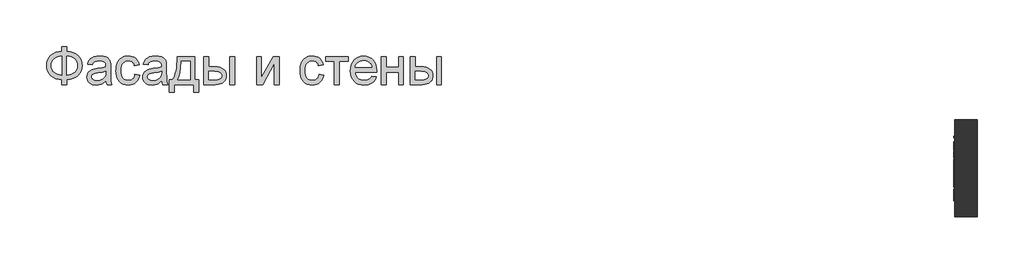
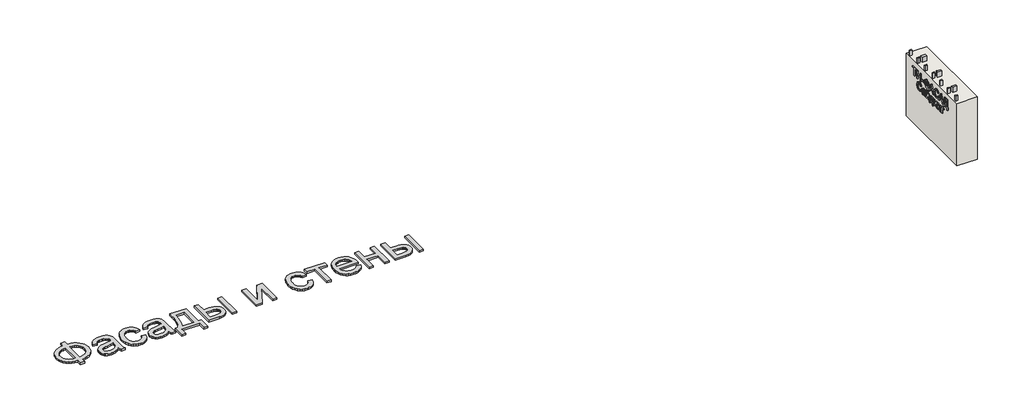
# One storey: 10 beams, 2 proxies, 1 wall.
"""IFC4 building model written with IfcOpenShell, lengths in millimetres."""

import ifcopenshell
import ifcopenshell.guid

model = None  # the IFC model being written
_history = None  # IfcOwnerHistory: only IFC2X3 demands one
_inside = {}  # id of a spatial element -> (the spatial element, [elements in it])
_under = {}  # id of a project, library or spatial element -> (it, [spatial elements below it])
_declared = {}  # id of a project -> (the project, [libraries it declares])
_typed = {}  # id of a type object -> (the type object, [elements of that type])
_made_of = {}  # id of a material, layer set ... -> (it, [elements and type objects made of it])


def new_model(schema):
    """Start an empty IFC model of exactly this schema.

    Asked for "IFC4X3", IfcOpenShell would pick the latest addendum, in which some entities
    have other attributes; the version numbers below select the first issue.
    IFC2X3 requires an IfcOwnerHistory on every rooted entity: one is made here for all.
    """
    global model, _history
    if schema == "IFC4X3":
        model = ifcopenshell.file(schema_version=(4, 3, 0, 0))
    else:
        model = ifcopenshell.file(schema=schema)
    _inside.clear()
    _under.clear()
    _declared.clear()
    _typed.clear()
    _made_of.clear()
    _history = None
    if model.schema == "IFC2X3":
        org = make("IfcOrganization", Name="unknown")
        user = make(
            "IfcPersonAndOrganization",
            ThePerson=make("IfcPerson", FamilyName="unknown"),
            TheOrganization=org,
        )
        app = make(
            "IfcApplication",
            ApplicationDeveloper=org,
            Version="unknown",
            ApplicationFullName="unknown",
            ApplicationIdentifier="unknown",
        )
        _history = make(
            "IfcOwnerHistory",
            OwningUser=user,
            OwningApplication=app,
            ChangeAction="ADDED",
            CreationDate=0,
        )
    return model


def make(cls, **values):
    """One entity of the class cls with the attributes given. An attribute that is None is left unset."""
    return model.create_entity(
        cls, **{name: value for name, value in values.items() if value is not None}
    )


def rooted(cls, **values):
    """An entity with a GlobalId (a new one), such as an element, a storey or a relation."""
    return make(cls, GlobalId=ifcopenshell.guid.new(), OwnerHistory=_history, **values)


def si_unit(unit_type, name, prefix=None):
    """IfcSIUnit, for example si_unit("LENGTHUNIT", "METRE", prefix="MILLI")."""
    return make("IfcSIUnit", UnitType=unit_type, Prefix=prefix, Name=name)


def assignment(units):
    """IfcUnitAssignment: the units of a project."""
    return None if units is None else make("IfcUnitAssignment", Units=units)


def point(xyz):
    """IfcCartesianPoint."""
    return None if xyz is None else make("IfcCartesianPoint", Coordinates=xyz)


def direction(xyz):
    """IfcDirection."""
    return None if xyz is None else make("IfcDirection", DirectionRatios=xyz)


def frame(location, z_axis=None, x_axis=None):
    """IfcAxis2Placement3D, a coordinate frame: its origin and axes. An axis left out is left unset."""
    return make(
        "IfcAxis2Placement3D",
        Location=point(location),
        Axis=direction(z_axis),
        RefDirection=direction(x_axis),
    )


def origin():
    """The frame at (0, 0, 0) with its axes left unset."""
    return frame((0.0, 0.0, 0.0))


def origin_with_axes():
    """The frame at (0, 0, 0) with the z axis (0, 0, 1) and the x axis (1, 0, 0) written out."""
    return frame((0.0, 0.0, 0.0), z_axis=(0.0, 0.0, 1.0), x_axis=(1.0, 0.0, 0.0))


def place(relative_to, where):
    """IfcLocalPlacement: puts the frame where relative to a parent placement (None: the world)."""
    return make(
        "IfcLocalPlacement", PlacementRelTo=relative_to, RelativePlacement=where
    )


def context(
    kind, dimensions, precision=None, world=None, true_north=None, identifier=None
):
    """IfcGeometricRepresentationContext, for example the 3D "Model" context."""
    return make(
        "IfcGeometricRepresentationContext",
        ContextIdentifier=identifier,
        ContextType=kind,
        CoordinateSpaceDimension=dimensions,
        Precision=precision,
        WorldCoordinateSystem=world,
        TrueNorth=true_north,
    )


def project(units=None, contexts=None):
    """IfcProject with its units and contexts."""
    return rooted(
        "IfcProject",
        Name="project",
        RepresentationContexts=contexts,
        UnitsInContext=assignment(units),
    )


def spatial(cls, under=None, at=None, **own):
    """A site, building, storey or space (cls), placed at a placement, below another one or the project."""
    s = rooted(cls, ObjectPlacement=at, **own)
    if under is not None:
        _under.setdefault(under.id(), (under, []))[1].append(s)
    return s


def polyline(points):
    """IfcPolyline through the points."""
    return make("IfcPolyline", Points=[point(p) for p in points])


def outline(outer, holes=None, kind="AREA"):
    """IfcArbitraryClosedProfileDef: a profile drawn as a closed curve; with holes, ...WithVoids."""
    if holes is None:
        return make("IfcArbitraryClosedProfileDef", ProfileType=kind, OuterCurve=outer)
    return make(
        "IfcArbitraryProfileDefWithVoids",
        ProfileType=kind,
        OuterCurve=outer,
        InnerCurves=holes,
    )


def extrude(swept, where, along, depth):
    """IfcExtrudedAreaSolid: the profile swept, set in the frame where, extruded along a direction by depth."""
    return make(
        "IfcExtrudedAreaSolid",
        SweptArea=swept,
        Position=where,
        ExtrudedDirection=direction(along),
        Depth=depth,
    )


def shape(context_of_items, identifier, shape_type, items):
    """IfcShapeRepresentation: the items that make up one representation, for example the "Body"."""
    return make(
        "IfcShapeRepresentation",
        ContextOfItems=context_of_items,
        RepresentationIdentifier=identifier,
        RepresentationType=shape_type,
        Items=items,
    )


def source(mapping_origin, context_of_items, identifier, shape_type, items):
    """IfcRepresentationMap: a shape defined once, which mapped items show again and again."""
    return make(
        "IfcRepresentationMap",
        MappingOrigin=mapping_origin,
        MappedRepresentation=shape(context_of_items, identifier, shape_type, items),
    )


def transform(
    local_origin,
    x_axis=None,
    y_axis=None,
    z_axis=None,
    scale=None,
    scale2=None,
    scale3=None,
    uniform=True,
):
    """IfcCartesianTransformationOperator3D, or its non-uniform kind. x_axis, y_axis, z_axis: its Axis1, 2, 3."""
    if uniform:
        return make(
            "IfcCartesianTransformationOperator3D",
            Axis1=direction(x_axis),
            Axis2=direction(y_axis),
            LocalOrigin=point(local_origin),
            Scale=scale,
            Axis3=direction(z_axis),
        )
    return make(
        "IfcCartesianTransformationOperator3DnonUniform",
        Axis1=direction(x_axis),
        Axis2=direction(y_axis),
        LocalOrigin=point(local_origin),
        Scale=scale,
        Axis3=direction(z_axis),
        Scale2=scale2,
        Scale3=scale3,
    )


def mapped(mapping_source, mapping_target):
    """IfcMappedItem: shows the shape of a source again, moved by a transform."""
    return make(
        "IfcMappedItem", MappingSource=mapping_source, MappingTarget=mapping_target
    )


def made_of(thing, what):
    """Note that an element or type object is made of a material, layer set ...; save() writes the relation."""
    if what is not None:
        _made_of.setdefault(what.id(), (what, []))[1].append(thing)
    return thing


def element(
    cls,
    number,
    at=None,
    inside=None,
    cuts=None,
    type_object=None,
    material=None,
    context=None,
    identifier="Body",
    shape_type=None,
    held_by="IfcProductDefinitionShape",
    body=None,
    shapes=None,
    **own,
):
    """One element of the class cls, such as IfcWall. Its Tag is "e" and its number.

    at: its placement. inside: the storey or other place that contains it. cuts: it is an
    opening in that element (IfcRelVoidsElement). A single representation is given by context,
    identifier, shape_type and body (its items); several are given by shapes. held_by: the class
    of the entity that holds the representations. save() writes the other relations.
    """
    e = rooted(cls, Tag="e%d" % number, ObjectPlacement=at, **own)
    if body is not None:
        shapes = [shape(context, identifier, shape_type, body)]
    if shapes is not None:
        e.Representation = make(held_by, Representations=shapes)
    if inside is not None:
        _inside.setdefault(inside.id(), (inside, []))[1].append(e)
    if cuts is not None:
        rooted(
            "IfcRelVoidsElement", RelatingBuildingElement=cuts, RelatedOpeningElement=e
        )
    if type_object is not None:
        _typed.setdefault(type_object.id(), (type_object, []))[1].append(e)
    return made_of(e, material)


def aggregate(whole, parts):
    """IfcRelAggregates: a whole, such as a stair, and the parts it consists of."""
    return rooted("IfcRelAggregates", RelatingObject=whole, RelatedObjects=parts)


def save(model, path):
    """Write the relations noted so far, then the file.

    IfcRelAggregates (storeys below a building ...), IfcRelContainedInSpatialStructure (elements
    in a storey), IfcRelDefinesByType, IfcRelAssociatesMaterial and IfcRelDeclares: one each for
    every whole, place, type object, material and project.
    """
    for whole, parts in _under.values():
        aggregate(whole, parts)
    for where, things in _inside.values():
        rooted(
            "IfcRelContainedInSpatialStructure",
            RelatedElements=things,
            RelatingStructure=where,
        )
    for kind, things in _typed.values():
        rooted("IfcRelDefinesByType", RelatedObjects=things, RelatingType=kind)
    for what, things in _made_of.values():
        rooted("IfcRelAssociatesMaterial", RelatedObjects=things, RelatingMaterial=what)
    for by, libraries in _declared.values():
        rooted("IfcRelDeclares", RelatingContext=by, RelatedDefinitions=libraries)
    model.write(path)


def beam_6337fa54(model_context):
    return source(origin(), model_context, "Body", "SweptSolid", [
        extrude(outline(polyline([(812.5, 25.0), (812.5, -25.0), (-812.5, -25.0), (-812.5, 25.0), (812.5, 25.0)])), frame((0.0, 0.0, -50.0), z_axis=(0.0, 0.0, 1.0), x_axis=(1.0, 0.0, 0.0)), (0.0, 0.0, 1.0), 100.0),
    ])


def beam_fa65da98(model_context):
    return source(origin(), model_context, "Body", "SweptSolid", [
        extrude(outline(polyline([(812.5, 15.0), (812.5, -15.0), (-812.5, -15.0), (-812.5, 15.0), (812.5, 15.0)])), frame((0.0, 0.0, -25.0), z_axis=(0.0, 0.0, 1.0), x_axis=(1.0, 0.0, 0.0)), (0.0, 0.0, 1.0), 50.0),
    ])


model = new_model("IFC4")

# Units and contexts
model_context = context("Model", 3, world=origin())
ifc_project = project(units=[si_unit("LENGTHUNIT", "METRE", prefix="MILLI")], contexts=[model_context])

# Site, building, storey
site = spatial("IfcSite", under=ifc_project)
building = spatial("IfcBuilding", under=site)
storey = spatial("IfcBuildingStorey", under=building, Elevation=0.0)

# Beams
placement = place(None, origin())
beam_shape = beam_6337fa54(model_context)
element("IfcBeam", 1, at=placement, inside=storey, context=model_context, shape_type="MappedRepresentation", body=[
    mapped(beam_shape, transform((16641.3955952, -23902.6148653, 812.5), x_axis=(0.0, 0.0, -1.0), y_axis=(0.0, -1.0, 0.0), z_axis=(-1.0, 0.0, 0.0))),
])
element("IfcBeam", 2, at=placement, inside=storey, context=model_context, shape_type="MappedRepresentation", body=[
    mapped(beam_shape, transform((16641.3955952, -23302.6148653, 812.5), x_axis=(0.0, 0.0, -1.0), y_axis=(0.0, -1.0, 0.0), z_axis=(-1.0, 0.0, 0.0))),
])
element("IfcBeam", 3, at=placement, inside=storey, context=model_context, shape_type="MappedRepresentation", body=[
    mapped(beam_shape, transform((16641.3955952, -22702.6148653, 812.5), x_axis=(0.0, 0.0, -1.0), y_axis=(0.0, -1.0, 0.0), z_axis=(-1.0, 0.0, 0.0))),
])
beam_2_shape = beam_fa65da98(model_context)
element("IfcBeam", 4, at=placement, inside=storey, context=model_context, shape_type="MappedRepresentation", body=[
    mapped(beam_2_shape, transform((16516.3955952, -24202.6148653, 812.5), x_axis=(0.0, 0.0, -1.0), y_axis=(0.0, -1.0, 0.0), z_axis=(-1.0, 0.0, 0.0))),
])
element("IfcBeam", 5, at=placement, inside=storey, context=model_context, shape_type="MappedRepresentation", body=[
    mapped(beam_2_shape, transform((16516.3955952, -23902.6148653, 812.5), x_axis=(0.0, 0.0, -1.0), y_axis=(0.0, -1.0, 0.0), z_axis=(-1.0, 0.0, 0.0))),
])
element("IfcBeam", 6, at=placement, inside=storey, context=model_context, shape_type="MappedRepresentation", body=[
    mapped(beam_2_shape, transform((16516.3955952, -23602.6148653, 812.5), x_axis=(0.0, 0.0, -1.0), y_axis=(0.0, -1.0, 0.0), z_axis=(-1.0, 0.0, 0.0))),
])
element("IfcBeam", 7, at=placement, inside=storey, context=model_context, shape_type="MappedRepresentation", body=[
    mapped(beam_2_shape, transform((16516.3955952, -23302.6148653, 812.5), x_axis=(0.0, 0.0, -1.0), y_axis=(0.0, -1.0, 0.0), z_axis=(-1.0, 0.0, 0.0))),
])
element("IfcBeam", 8, at=placement, inside=storey, context=model_context, shape_type="MappedRepresentation", body=[
    mapped(beam_2_shape, transform((16516.3955952, -23002.6148653, 812.5), x_axis=(0.0, 0.0, -1.0), y_axis=(0.0, -1.0, 0.0), z_axis=(-1.0, 0.0, 0.0))),
])
element("IfcBeam", 9, at=placement, inside=storey, context=model_context, shape_type="MappedRepresentation", body=[
    mapped(beam_2_shape, transform((16516.3955952, -22702.6148653, 812.5), x_axis=(0.0, 0.0, -1.0), y_axis=(0.0, -1.0, 0.0), z_axis=(-1.0, 0.0, 0.0))),
])
element("IfcBeam", 10, at=placement, inside=storey, context=model_context, shape_type="MappedRepresentation", body=[
    mapped(beam_2_shape, transform((16516.3955952, -22402.6148653, 812.5), x_axis=(0.0, 0.0, -1.0), y_axis=(0.0, -1.0, 0.0), z_axis=(-1.0, 0.0, 0.0))),
])

# Proxies
element("IfcBuildingElementProxy", 11, Name="Generic Models", at=placement, inside=storey, context=model_context, shape_type="SweptSolid", body=[
    extrude(outline(polyline([(-1939.8736325, -20885.7211043), (-1939.8736325, -20787.7817103), (-1841.9342386, -20787.7817103), (-1841.9342386, -20885.7211043), (-1772.0723186, -20894.3529698), (-1709.9695132, -20912.2144755), (-1655.6258224, -20939.3056213), (-1609.0412461, -20975.6264073), (-1571.6743546, -21019.0607113), (-1544.9837177, -21067.4924111), (-1528.9693356, -21120.9215067), (-1523.6312083, -21179.3479982), (-1528.8019587, -21236.6028514), (-1544.3142102, -21289.3863505), (-1570.1679625, -21337.6984954), (-1606.3632158, -21381.5392861), (-1628.1416397, -21401.1761824), (-1652.1109076, -21418.4817577), (-1706.6219753, -21446.0989452), (-1769.896419, -21464.3908486), (-1841.9342386, -21473.3574679), (-1841.9342386, -21571.2968619), (-1939.8736325, -21571.2968619), (-1939.8736325, -21473.3574679), (-2005.3060425, -21466.0586398), (-2065.0237272, -21449.518216), (-2119.0266865, -21423.7361966), (-2167.3149204, -21388.7125816), (-2207.0669327, -21345.8939854), (-2222.6837947, -21322.10405), (-2235.4612272, -21296.7270228), (-2245.3992303, -21269.7629041), (-2252.4978039, -21241.2116938), (-2258.1766628, -21179.3479982), (-2252.5157371, -21117.2033486), (-2245.4395801, -21088.5878775), (-2235.5329602, -21061.6103088), (-2222.7958774, -21036.2706426), (-2207.2283318, -21012.5688789), (-2188.8303234, -20990.5050176), (-2167.6018522, -20970.0790588), (-2119.4032845, -20935.3961753), (-2065.382392, -20909.775555), (-2005.5391746, -20893.217198), (-1939.8736325, -20885.7211043)]), holes=[polyline([(-1841.9342386, -20983.6604982), (-1841.9342386, -21375.418074), (-1793.3949393, -21370.2234125), (-1750.3073446, -21359.2303372), (-1712.6714545, -21342.4388481), (-1680.4872689, -21319.8489452), (-1654.7112272, -21291.9627591), (-1636.2997689, -21259.2824206), (-1625.2528939, -21221.8079296), (-1621.5706022, -21179.5392861), (-1625.1871387, -21137.922217), (-1636.036748, -21100.872146), (-1654.1194303, -21068.389073), (-1679.4351855, -21040.4729982), (-1711.2905951, -21017.6977852), (-1748.9922405, -21000.6372975), (-1792.5401216, -20989.2915352), (-1841.9342386, -20983.6604982)]), polyline([(-1939.8736325, -20983.6604982), (-1986.781007, -20988.5861611), (-2028.989873, -20999.3461043), (-2066.5002305, -21015.9403278), (-2099.3120795, -21038.3688316), (-2125.9668498, -21066.2012179), (-2145.0059715, -21099.0070891), (-2156.4294445, -21136.7864452), (-2160.2372689, -21179.5392861), (-2156.4772665, -21221.9035735), (-2145.1972594, -21259.4737085), (-2126.3972476, -21292.2496909), (-2100.077231, -21320.231521), (-2067.5044919, -21342.8692459), (-2029.9463124, -21359.612913), (-1987.4026926, -21370.4625224), (-1939.8736325, -21375.418074), (-1939.8736325, -20983.6604982)])]), origin_with_axes(), (0.0, 0.0, 1.0), 40.0),
    extrude(outline(polyline([(-1033.9342386, -21497.8423164), (-1080.7280359, -21537.964949), (-1104.6449985, -21552.8256261), (-1128.9086704, -21564.2192103), (-1179.5760473, -21578.7092672), (-1233.8300719, -21583.5392861), (-1277.4377305, -21580.6341014), (-1315.677373, -21571.9185475), (-1348.5489995, -21557.3926242), (-1376.0526098, -21537.0563316), (-1397.7697618, -21512.2008628), (-1413.2820132, -21484.1174111), (-1422.589364, -21452.8059764), (-1425.6918143, -21418.2665588), (-1421.0052613, -21377.6657066), (-1406.9456022, -21340.7949679), (-1385.2583389, -21309.2324679), (-1357.6889734, -21284.5563316), (-1325.2895889, -21265.9057634), (-1289.1122689, -21252.4199679), (-1204.3717386, -21237.6908013), (-1104.232534, -21222.1964831), (-1034.5081022, -21204.0241346), (-1033.9342386, -21182.2173164), (-1035.619963, -21158.4737085), (-1040.6771363, -21138.5080361), (-1049.1057585, -21122.3202994), (-1060.9058295, -21109.9104982), (-1081.3018996, -21097.5246081), (-1106.1454128, -21088.6775437), (-1135.4363693, -21083.369305), (-1169.1747689, -21081.5998922), (-1227.5175719, -21086.3103562), (-1250.0895416, -21092.1984362), (-1268.2618901, -21100.4417482), (-1283.1943001, -21111.6858888), (-1296.0464545, -21126.5764547), (-1306.8183532, -21145.1134457), (-1315.5099961, -21167.2968619), (-1413.4493901, -21155.0544376), (-1396.4486799, -21101.4938316), (-1384.810008, -21079.0175058), (-1371.0791249, -21059.4104982), (-1354.6642338, -21042.2782776), (-1334.9735378, -21027.2263126), (-1312.0070369, -21014.2546033), (-1285.764731, -21003.3631497), (-1225.5807821, -20988.5861611), (-1156.5497689, -20983.6604982), (-1090.3402518, -20988.0122975), (-1037.8556401, -21001.0676952), (-998.2829602, -21020.6986138), (-970.8092386, -21044.7769755), (-952.5890681, -21074.5461516), (-940.7770416, -21111.2495134), (-937.1903939, -21145.1074679), (-935.9948446, -21196.9464831), (-935.9948446, -21318.7968619), (-934.7514734, -21424.9377236), (-931.0213598, -21488.94743), (-923.6567764, -21531.0068524), (-911.5099961, -21571.2968619), (-1009.4493901, -21571.2968619), (-1025.1349961, -21537.2476194), (-1033.9342386, -21497.8423164)]), holes=[polyline([(-1033.9342386, -21301.9635285), (-1099.7372689, -21318.2708202), (-1191.9380264, -21331.9957255), (-1242.7488693, -21339.5037747), (-1276.2003371, -21347.8726194), (-1298.1267102, -21358.7282066), (-1314.3622689, -21373.6964831), (-1324.4048825, -21391.6297217), (-1327.7524204, -21411.3801952), (-1325.9292078, -21426.599537), (-1320.45957, -21440.5037747), (-1311.343507, -21453.0929083), (-1298.5810189, -21464.3669376), (-1282.2916604, -21473.6563552), (-1262.5949867, -21480.2916535), (-1212.9796931, -21485.5998922), (-1160.3755264, -21479.7417009), (-1136.3688977, -21472.4189618), (-1113.8925719, -21462.167127), (-1076.2088598, -21436.2715304), (-1050.0024204, -21405.450271), (-1038.3816818, -21373.6964831), (-1034.5081022, -21329.700271), (-1033.9342386, -21301.9635285)])]), origin_with_axes(), (0.0, 0.0, 1.0), 40.0),
    extrude(outline(polyline([(-434.0554507, -21363.1756497), (-336.1160568, -21375.418074), (-346.7684005, -21421.6320299), (-363.4224014, -21462.5257918), (-386.0780596, -21498.0993595), (-414.7353749, -21528.3527331), (-448.1868427, -21552.49685), (-485.2249583, -21569.7426478), (-525.8497215, -21580.0901265), (-570.0611325, -21583.5392861), (-624.9906425, -21578.7272004), (-674.2412935, -21564.2909433), (-717.8130856, -21540.2305148), (-755.7060189, -21506.5459149), (-786.3778347, -21463.8707847), (-808.2862746, -21412.8387653), (-821.4313385, -21353.4498567), (-825.8130264, -21285.7040588), (-823.9419919, -21240.6736966), (-818.3288882, -21198.5485191), (-808.9737154, -21159.3285262), (-795.8764734, -21123.0137179), (-778.9474961, -21090.3333794), (-758.0971174, -21062.0167956), (-733.3253371, -21038.0639665), (-704.6321552, -21018.4748922), (-673.3147428, -21003.2435948), (-640.6702708, -20992.3640967), (-606.698739, -20985.8363978), (-571.4001477, -20983.6604982), (-527.9479104, -20986.6493713), (-488.6442291, -20995.6159906), (-453.4891036, -21010.5603562), (-422.482534, -21031.4824679), (-396.150562, -21057.9041062), (-375.0192291, -21089.3470513), (-359.0885354, -21125.8113031), (-348.358481, -21167.2968619), (-446.2978749, -21179.5392861), (-453.9434123, -21156.6624513), (-464.0637367, -21136.8103562), (-476.6588479, -21119.9830006), (-491.7287461, -21106.1803846), (-508.8908555, -21095.4264192), (-527.7626003, -21087.7450153), (-548.3439805, -21083.1361729), (-570.6349961, -21081.5998922), (-603.9131093, -21084.6246317), (-633.927373, -21093.6988505), (-660.6777873, -21108.8225484), (-684.1643522, -21129.9957255), (-703.2871623, -21157.7085569), (-716.9463124, -21192.4512179), (-725.1418025, -21234.2237085), (-727.8736325, -21283.0260285), (-725.20158, -21332.5636114), (-717.1854223, -21374.8202994), (-703.8251595, -21409.7960924), (-685.1207916, -21437.4909906), (-662.1004909, -21458.5386351), (-635.7924299, -21473.5726668), (-606.1966084, -21482.5930858), (-573.3130264, -21485.5998922), (-546.8136775, -21483.7228799), (-522.5978276, -21478.0918429), (-500.6654767, -21468.7067814), (-481.0166249, -21455.5676952), (-464.2012248, -21438.5311185), (-450.7692291, -21417.4535853), (-440.7206377, -21392.3350958), (-434.0554507, -21363.1756497)])), origin_with_axes(), (0.0, 0.0, 1.0), 40.0),
    extrude(outline(polyline([(116.8536402, -21497.8423164), (70.0598429, -21537.964949), (46.1428803, -21552.8256261), (21.8792084, -21564.2192103), (-28.7881685, -21578.7092672), (-83.0421931, -21583.5392861), (-126.6498517, -21580.6341014), (-164.8894943, -21571.9185475), (-197.7611207, -21557.3926242), (-225.264731, -21537.0563316), (-246.981883, -21512.2008628), (-262.4941344, -21484.1174111), (-271.8014853, -21452.8059764), (-274.9039355, -21418.2665588), (-270.2173825, -21377.6657066), (-256.1577234, -21340.7949679), (-234.4704602, -21309.2324679), (-206.9010946, -21284.5563316), (-174.5017102, -21265.9057634), (-138.3243901, -21252.4199679), (-53.5838598, -21237.6908013), (46.5553448, -21222.1964831), (116.2797766, -21204.0241346), (116.8536402, -21182.2173164), (115.1679158, -21158.4737085), (110.1107425, -21138.5080361), (101.6821203, -21122.3202994), (89.8820493, -21109.9104982), (69.4859792, -21097.5246081), (44.642466, -21088.6775437), (15.3515095, -21083.369305), (-18.3868901, -21081.5998922), (-76.7296931, -21086.3103562), (-99.3016628, -21092.1984362), (-117.4740113, -21100.4417482), (-132.4064213, -21111.6858888), (-145.2585757, -21126.5764547), (-156.0304744, -21145.1134457), (-164.7221174, -21167.2968619), (-262.6615113, -21155.0544376), (-245.6608011, -21101.4938316), (-234.0221292, -21079.0175058), (-220.2912461, -21059.4104982), (-203.876355, -21042.2782776), (-184.185659, -21027.2263126), (-161.2191581, -21014.2546033), (-134.9768522, -21003.3631497), (-74.7929033, -20988.5861611), (-5.7618901, -20983.6604982), (60.447627, -20988.0122975), (112.9322387, -21001.0676952), (152.5049186, -21020.6986138), (179.9786402, -21044.7769755), (198.1988107, -21074.5461516), (210.0108372, -21111.2495134), (213.5974849, -21145.1074679), (214.7930342, -21196.9464831), (214.7930342, -21318.7968619), (216.0364054, -21424.9377236), (219.766519, -21488.94743), (227.1311023, -21531.0068524), (239.2778826, -21571.2968619), (141.3384887, -21571.2968619), (125.6528826, -21537.2476194), (116.8536402, -21497.8423164)]), holes=[polyline([(116.8536402, -21301.9635285), (51.0506099, -21318.2708202), (-41.1501477, -21331.9957255), (-91.9609905, -21339.5037747), (-125.4124583, -21347.8726194), (-147.3388314, -21358.7282066), (-163.5743901, -21373.6964831), (-173.6170037, -21391.6297217), (-176.9645416, -21411.3801952), (-175.141329, -21426.599537), (-169.6716912, -21440.5037747), (-160.5556282, -21453.0929083), (-147.7931401, -21464.3669376), (-131.5037817, -21473.6563552), (-111.8071079, -21480.2916535), (-62.1918143, -21485.5998922), (-9.5876477, -21479.7417009), (14.4189811, -21472.4189618), (36.8953069, -21462.167127), (74.579019, -21436.2715304), (100.7854584, -21405.450271), (112.406197, -21373.6964831), (116.2797766, -21329.700271), (116.8536402, -21301.9635285)])]), origin_with_axes(), (0.0, 0.0, 1.0), 40.0),
    extrude(outline(polyline([(435.1566705, -20995.9029225), (802.4293978, -20995.9029225), (802.4293978, -21473.3574679), (875.8839432, -21473.3574679), (875.8839432, -21730.448377), (777.9445493, -21730.448377), (777.9445493, -21571.2968619), (373.9445493, -21571.2968619), (373.9445493, -21730.448377), (276.0051554, -21730.448377), (276.0051554, -21473.3574679), (337.2172766, -21473.3574679), (361.1342392, -21436.3970631), (381.7156194, -21392.9448259), (398.9614172, -21343.0007563), (412.8716326, -21286.5648543), (423.4462657, -21223.6371199), (430.6853164, -21154.2175531), (434.5887846, -21078.306154), (435.1566705, -20995.9029225)]), holes=[polyline([(520.8536402, -21093.8423164), (512.8195493, -21213.7559054), (497.8990948, -21316.979627), (476.0922766, -21403.5134812), (462.6064811, -21440.521708), (447.3990948, -21473.3574679), (704.4900039, -21473.3574679), (704.4900039, -21093.8423164), (520.8536402, -21093.8423164)])]), origin_with_axes(), (0.0, 0.0, 1.0), 40.0),
    extrude(outline(polyline([(986.0657614, -20995.9029225), (1084.0051554, -20995.9029225), (1084.0051554, -21204.0241346), (1205.0903826, -21204.0241346), (1260.8089551, -21207.0907184), (1309.7487633, -21216.2904698), (1351.9098074, -21231.6233888), (1387.2920872, -21253.0894755), (1415.2858727, -21279.9474892), (1435.2814338, -21311.4561895), (1447.2787704, -21347.6155763), (1451.2778826, -21388.4256497), (1447.924367, -21424.8361019), (1437.8638201, -21458.5087463), (1421.096242, -21489.443583), (1397.6216326, -21517.6406119), (1366.7824399, -21541.1152212), (1327.9211118, -21557.8827994), (1281.0376483, -21567.9433462), (1226.1320493, -21571.2968619), (986.0657614, -21571.2968619), (986.0657614, -20995.9029225)]), holes=[polyline([(1084.0051554, -21473.3574679), (1184.6225796, -21473.3574679), (1262.6202122, -21468.2166062), (1291.8274802, -21461.790529), (1314.5070493, -21452.794021), (1331.495804, -21441.0716606), (1343.6306289, -21426.4680266), (1350.9115237, -21408.983119), (1353.3384887, -21388.6169376), (1351.5391871, -21372.1542245), (1346.1412823, -21356.6240399), (1337.1447742, -21342.0263836), (1324.5496629, -21328.3612558), (1305.8094286, -21316.8122501), (1278.3775512, -21308.5629603), (1242.2540308, -21303.6133865), (1197.4388675, -21301.9635285), (1084.0051554, -21301.9635285), (1084.0051554, -21473.3574679)])]), origin_with_axes(), (0.0, 0.0, 1.0), 40.0),
    extrude(outline(polyline([(1524.7324281, -20995.9029225), (1622.671822, -20995.9029225), (1622.671822, -21571.2968619), (1524.7324281, -21571.2968619), (1524.7324281, -20995.9029225)])), origin_with_axes(), (0.0, 0.0, 1.0), 40.0),
    extrude(outline(polyline([(2075.641519, -20995.9029225), (2173.5809129, -20995.9029225), (2173.5809129, -21434.7173164), (2414.2210645, -20995.9029225), (2540.8536402, -20995.9029225), (2540.8536402, -21571.2968619), (2442.9142463, -21571.2968619), (2442.9142463, -21135.1604982), (2203.8043978, -21571.2968619), (2075.641519, -21571.2968619), (2075.641519, -20995.9029225)])), origin_with_axes(), (0.0, 0.0, 1.0), 40.0),
    extrude(outline(polyline([(3361.0960645, -21363.1756497), (3459.0354584, -21375.418074), (3448.3831147, -21421.6320299), (3431.7291137, -21462.5257918), (3409.0734556, -21498.0993595), (3380.4161402, -21528.3527331), (3346.9646724, -21552.49685), (3309.9265569, -21569.7426478), (3269.3017936, -21580.0901265), (3225.0903826, -21583.5392861), (3170.1608727, -21578.7272004), (3120.9102217, -21564.2909433), (3077.3384295, -21540.2305148), (3039.4454963, -21506.5459149), (3008.7736805, -21463.8707847), (2986.8652406, -21412.8387653), (2973.7201767, -21353.4498567), (2969.3384887, -21285.7040588), (2971.2095233, -21240.6736966), (2976.822627, -21198.5485191), (2986.1777998, -21159.3285262), (2999.2750417, -21123.0137179), (3016.204019, -21090.3333794), (3037.0543978, -21062.0167956), (3061.8261781, -21038.0639665), (3090.5193599, -21018.4748922), (3121.8367723, -21003.2435948), (3154.4812444, -20992.3640967), (3188.4527761, -20985.8363978), (3223.7513675, -20983.6604982), (3267.2036047, -20986.6493713), (3306.5072861, -20995.6159906), (3341.6624115, -21010.5603562), (3372.6689811, -21031.4824679), (3399.0009532, -21057.9041062), (3420.1322861, -21089.3470513), (3436.0629797, -21125.8113031), (3446.7930342, -21167.2968619), (3348.8536402, -21179.5392861), (3341.2081028, -21156.6624513), (3331.0877785, -21136.8103562), (3318.4926672, -21119.9830006), (3303.422769, -21106.1803846), (3286.2606596, -21095.4264192), (3267.3889148, -21087.7450153), (3246.8075346, -21083.1361729), (3224.516519, -21081.5998922), (3191.2384058, -21084.6246317), (3161.2241421, -21093.6988505), (3134.4737278, -21108.8225484), (3110.9871629, -21129.9957255), (3091.8643528, -21157.7085569), (3078.2052027, -21192.4512179), (3070.0097127, -21234.2237085), (3067.2778826, -21283.0260285), (3069.9499352, -21332.5636114), (3077.9660929, -21374.8202994), (3091.3263557, -21409.7960924), (3110.0307236, -21437.4909906), (3133.0510242, -21458.5386351), (3159.3590853, -21473.5726668), (3188.9549068, -21482.5930858), (3221.8384887, -21485.5998922), (3248.3378377, -21483.7228799), (3272.5536876, -21478.0918429), (3294.4860384, -21468.7067814), (3314.1348902, -21455.5676952), (3330.9502903, -21438.5311185), (3344.3822861, -21417.4535853), (3354.4308774, -21392.3350958), (3361.0960645, -21363.1756497)])), origin_with_axes(), (0.0, 0.0, 1.0), 40.0),
    extrude(outline(polyline([(3495.7627311, -20995.9029225), (3960.9748523, -20995.9029225), (3960.9748523, -21093.8423164), (3777.3384887, -21093.8423164), (3777.3384887, -21571.2968619), (3679.3990948, -21571.2968619), (3679.3990948, -21093.8423164), (3495.7627311, -21093.8423164), (3495.7627311, -20995.9029225)])), origin_with_axes(), (0.0, 0.0, 1.0), 40.0),
    extrude(outline(polyline([(4449.5240948, -21399.9029225), (4545.5506099, -21412.1453467), (4530.827421, -21450.6061658), (4510.9514148, -21484.4999869), (4485.9225914, -21513.8268098), (4455.7409508, -21538.5866346), (4420.7173358, -21558.2534196), (4381.1625891, -21572.3011232), (4337.0767108, -21580.7297454), (4288.4597008, -21583.5392861), (4227.6899328, -21578.6913339), (4173.5435076, -21564.1474774), (4126.0204253, -21539.9077165), (4085.1206857, -21505.9720513), (4052.231126, -21463.2849656), (4028.7385834, -21412.7909433), (4014.6430578, -21354.4899845), (4009.9445493, -21288.3820891), (4014.6908798, -21220.0325389), (4028.9298713, -21159.7888126), (4052.6615237, -21107.6509102), (4085.8858372, -21063.6188316), (4126.6779773, -21028.6370607), (4173.1131099, -21003.6500816), (4225.1912349, -20988.6578941), (4282.9123523, -20983.6604982), (4338.7743907, -20988.6459386), (4389.2923239, -21003.6022596), (4434.4661521, -21028.5294613), (4474.2958751, -21063.4275437), (4506.8088367, -21107.3639783), (4530.0323807, -21159.4062369), (4543.9665072, -21219.5543192), (4548.611216, -21287.8082255), (4548.0373523, -21314.2059528), (4107.8839432, -21314.2059528), (4113.5568244, -21353.2884575), (4124.8368315, -21387.5170323), (4141.7239646, -21416.8916772), (4164.2182236, -21441.4123922), (4191.0762373, -21460.7444234), (4221.0546345, -21474.5530172), (4254.1534153, -21482.8381734), (4290.3725796, -21485.5998922), (4342.4985266, -21480.4829414), (4386.3990948, -21465.1320891), (4405.2648618, -21453.3798401), (4422.0742842, -21438.590896), (4436.8273618, -21420.7652567), (4449.5240948, -21399.9029225)]), holes=[polyline([(4107.8839432, -21216.2665588), (4450.671822, -21216.2665588), (4445.6385597, -21188.5537274), (4437.4251364, -21164.5231876), (4426.0315522, -21144.1749395), (4411.4578069, -21127.5089831), (4384.7492368, -21107.4237558), (4354.3583751, -21093.0771649), (4320.2852217, -21084.4692103), (4282.5297766, -21081.5998922), (4248.0919807, -21083.889369), (4216.5115474, -21090.7577994), (4187.7884769, -21102.2051834), (4161.922769, -21118.231521), (4140.2175725, -21138.0955716), (4123.9760361, -21161.0560948), (4113.1981596, -21187.1130906), (4107.8839432, -21216.2665588)])]), origin_with_axes(), (0.0, 0.0, 1.0), 40.0),
    extrude(outline(polyline([(4646.5506099, -20995.9029225), (4744.4900039, -20995.9029225), (4744.4900039, -21216.2665588), (5001.5809129, -21216.2665588), (5001.5809129, -20995.9029225), (5099.5203069, -20995.9029225), (5099.5203069, -21571.2968619), (5001.5809129, -21571.2968619), (5001.5809129, -21314.2059528), (4744.4900039, -21314.2059528), (4744.4900039, -21571.2968619), (4646.5506099, -21571.2968619), (4646.5506099, -20995.9029225)])), origin_with_axes(), (0.0, 0.0, 1.0), 40.0),
    extrude(outline(polyline([(5246.4293978, -20995.9029225), (5344.3687917, -20995.9029225), (5344.3687917, -21204.0241346), (5465.454019, -21204.0241346), (5521.1725914, -21207.0907184), (5570.1123997, -21216.2904698), (5612.2734437, -21231.6233888), (5647.6557236, -21253.0894755), (5675.6495091, -21279.9474892), (5695.6450701, -21311.4561895), (5707.6424068, -21347.6155763), (5711.641519, -21388.4256497), (5708.2880034, -21424.8361019), (5698.2274565, -21458.5087463), (5681.4598784, -21489.443583), (5657.985269, -21517.6406119), (5627.1460763, -21541.1152212), (5588.2847482, -21557.8827994), (5541.4012846, -21567.9433462), (5486.4956857, -21571.2968619), (5246.4293978, -21571.2968619), (5246.4293978, -20995.9029225)]), holes=[polyline([(5344.3687917, -21473.3574679), (5444.986216, -21473.3574679), (5522.9838486, -21468.2166062), (5552.1911165, -21461.790529), (5574.8706857, -21452.794021), (5591.8594404, -21441.0716606), (5603.9942652, -21426.4680266), (5611.2751601, -21408.983119), (5613.7021251, -21388.6169376), (5611.9028235, -21372.1542245), (5606.5049186, -21356.6240399), (5597.5084106, -21342.0263836), (5584.9132993, -21328.3612558), (5566.1730649, -21316.8122501), (5538.7411876, -21308.5629603), (5502.6176672, -21303.6133865), (5457.8025039, -21301.9635285), (5344.3687917, -21301.9635285), (5344.3687917, -21473.3574679)])]), origin_with_axes(), (0.0, 0.0, 1.0), 40.0),
    extrude(outline(polyline([(5785.0960645, -20995.9029225), (5883.0354584, -20995.9029225), (5883.0354584, -21571.2968619), (5785.0960645, -21571.2968619), (5785.0960645, -20995.9029225)])), origin_with_axes(), (0.0, 0.0, 1.0), 40.0),
])
element("IfcBuildingElementProxy", 12, Name="Generic Models", at=placement, inside=storey, context=model_context, shape_type="SweptSolid", body=[
    extrude(outline(polyline([(-22641.3968391, 1181.1112414), (-22666.0122237, 1181.1112414), (-22666.0122237, 1353.4189337), (-22730.6276083, 1353.4189337), (-22730.6276083, 1378.0343184), (-22576.7814545, 1378.0343184), (-22576.7814545, 1353.4189337), (-22641.3968391, 1353.4189337), (-22641.3968391, 1181.1112414)])), frame((16451.3955952, 0.0, 0.0), z_axis=(1.0, 0.0, 0.0), x_axis=(0.0, 1.0, 0.0)), (0.0, 0.0, 1.0), 20.0),
    extrude(outline(polyline([(-22758.319916, 1181.1112414), (-22782.9353006, 1181.1112414), (-22782.9353006, 1273.4189337), (-22887.5506853, 1273.4189337), (-22887.5506853, 1181.1112414), (-22912.1660699, 1181.1112414), (-22912.1660699, 1378.0343184), (-22887.5506853, 1378.0343184), (-22887.5506853, 1298.0343184), (-22782.9353006, 1298.0343184), (-22782.9353006, 1378.0343184), (-22758.319916, 1378.0343184), (-22758.319916, 1181.1112414)])), frame((16451.3955952, 0.0, 0.0), z_axis=(1.0, 0.0, 0.0), x_axis=(0.0, 1.0, 0.0)), (0.0, 0.0, 1.0), 20.0),
    extrude(outline(polyline([(16451.3955952, -23016.7814545), (16451.3955952, -22939.8583776), (16471.3955952, -22939.8583776), (16471.3955952, -23016.7814545), (16451.3955952, -23016.7814545)])), frame((0.0, 0.0, 1239.5727799), z_axis=(0.0, 0.0, 1.0), x_axis=(1.0, 0.0, 0.0)), (0.0, 0.0, 1.0), 24.6153846),
    extrude(outline(polyline([(-23118.319916, 1353.4189337), (-23086.7754449, 1347.3732607), (-23061.0843391, 1332.2170107), (-23051.124904, 1321.5379241), (-23044.0110218, 1309.212203), (-23038.319916, 1279.6208568), (-23044.0290506, 1250.1196549), (-23051.1654689, 1237.7623833), (-23061.1564545, 1227.0006645), (-23086.8655891, 1211.7182126), (-23118.319916, 1205.726626), (-23118.319916, 1181.1112414), (-23142.9353006, 1181.1112414), (-23142.9353006, 1205.726626), (-23176.9437141, 1212.5775876), (-23202.1420314, 1228.8035491), (-23217.7369833, 1251.9646068), (-23222.9353006, 1279.6208568), (-23217.5687141, 1307.7338376), (-23201.4689545, 1330.8227799), (-23176.102368, 1346.7602799), (-23142.9353006, 1353.4189337), (-23142.9353006, 1378.0343184), (-23118.319916, 1378.0343184), (-23118.319916, 1353.4189337)]), holes=[polyline([(-23118.319916, 1328.8035491), (-23118.319916, 1230.3420107), (-23095.6816949, 1234.3143664), (-23078.055493, 1244.212203), (-23066.7153487, 1259.4826357), (-23062.9353006, 1279.5727799), (-23066.7634256, 1299.8131645), (-23078.2478006, 1315.0535491), (-23095.9220795, 1324.8612414), (-23118.319916, 1328.8035491)]), polyline([(-23142.9353006, 1328.8035491), (-23166.2946756, 1324.5367222), (-23183.7766468, 1314.524703), (-23194.6840987, 1299.3444145), (-23198.319916, 1279.5727799), (-23194.617993, 1259.5307126), (-23183.5122237, 1244.3083568), (-23165.9641468, 1234.4105203), (-23142.9353006, 1230.3420107), (-23142.9353006, 1328.8035491)])]), frame((16451.3955952, 0.0, 0.0), z_axis=(1.0, 0.0, 0.0), x_axis=(0.0, 1.0, 0.0)), (0.0, 0.0, 1.0), 20.0),
    extrude(outline(polyline([(-23233.8487622, 1181.1112414), (-23259.8583776, 1181.1112414), (-23282.3583776, 1242.649703), (-23363.4641468, 1242.649703), (-23386.0122237, 1181.1112414), (-23412.0218391, 1181.1112414), (-23333.4160699, 1378.0343184), (-23312.4545314, 1378.0343184), (-23233.8487622, 1181.1112414)]), holes=[polyline([(-23291.3968391, 1267.2650876), (-23310.6756853, 1319.9093184), (-23322.9353006, 1353.4189337), (-23336.7333776, 1315.6785491), (-23354.4737622, 1267.2650876), (-23291.3968391, 1267.2650876)])]), frame((16451.3955952, 0.0, 0.0), z_axis=(1.0, 0.0, 0.0), x_axis=(0.0, 1.0, 0.0)), (0.0, 0.0, 1.0), 20.0),
    extrude(outline(polyline([(-23576.7814545, 1251.1112414), (-23568.8187141, 1230.0295107), (-23555.8920314, 1214.8612414), (-23538.7706372, 1205.7025876), (-23518.2237622, 1202.649703), (-23500.5975603, 1204.8912895), (-23484.257416, 1211.6160491), (-23470.6276083, 1222.8720587), (-23461.132416, 1238.7073953), (-23455.5615026, 1258.3708568), (-23453.7045314, 1281.1112414), (-23455.273041, 1299.680953), (-23459.9785699, 1317.6977799), (-23468.554291, 1333.6352799), (-23481.7333776, 1345.9670107), (-23499.101166, 1353.8636453), (-23520.242993, 1356.4958568), (-23538.5843391, 1354.1220587), (-23553.5122237, 1347.0006645), (-23565.1708776, 1334.6869626), (-23573.7045314, 1316.7362414), (-23598.319916, 1322.601626), (-23587.4485218, 1347.3131645), (-23570.507416, 1365.774703), (-23548.1937141, 1377.2771068), (-23521.2045314, 1381.1112414), (-23496.4689545, 1378.148501), (-23473.8968391, 1369.2602799), (-23454.8643872, 1354.6629241), (-23440.7478006, 1334.5727799), (-23432.0038103, 1309.7771068), (-23429.0891468, 1281.0631645), (-23431.6672718, 1253.8396068), (-23439.4016468, 1228.4189337), (-23452.069916, 1206.7963376), (-23469.4497237, 1190.9670107), (-23492.1240026, 1181.2674914), (-23520.6756853, 1178.0343184), (-23548.8006853, 1182.3071549), (-23572.2141468, 1195.1256645), (-23590.038666, 1216.0811934), (-23601.3968391, 1244.7650876), (-23576.7814545, 1251.1112414)])), frame((16451.3955952, 0.0, 0.0), z_axis=(1.0, 0.0, 0.0), x_axis=(0.0, 1.0, 0.0)), (0.0, 0.0, 1.0), 20.0),
    extrude(outline(polyline([(-23612.3103006, 1181.1112414), (-23638.319916, 1181.1112414), (-23660.819916, 1242.649703), (-23741.9256853, 1242.649703), (-23764.4737622, 1181.1112414), (-23790.4833776, 1181.1112414), (-23711.8776083, 1378.0343184), (-23690.9160699, 1378.0343184), (-23612.3103006, 1181.1112414)]), holes=[polyline([(-23669.8583776, 1267.2650876), (-23689.1372237, 1319.9093184), (-23701.3968391, 1353.4189337), (-23715.194916, 1315.6785491), (-23732.9353006, 1267.2650876), (-23669.8583776, 1267.2650876)])]), frame((16451.3955952, 0.0, 0.0), z_axis=(1.0, 0.0, 0.0), x_axis=(0.0, 1.0, 0.0)), (0.0, 0.0, 1.0), 20.0),
    extrude(outline(polyline([(-23835.242993, 1378.0343184), (-23835.242993, 1349.524703), (-23833.7045314, 1299.9543905), (-23829.0891468, 1259.4646068), (-23821.3968391, 1228.055352), (-23810.6276083, 1205.726626), (-23795.242993, 1205.726626), (-23795.242993, 1134.9573953), (-23819.8583776, 1134.9573953), (-23819.8583776, 1181.1112414), (-23946.0122237, 1181.1112414), (-23946.0122237, 1134.9573953), (-23970.6276083, 1134.9573953), (-23970.6276083, 1205.726626), (-23952.1660699, 1205.726626), (-23952.1660699, 1378.0343184), (-23835.242993, 1378.0343184)]), holes=[polyline([(-23927.5506853, 1353.4189337), (-23927.5506853, 1205.726626), (-23835.242993, 1205.726626), (-23847.4545314, 1237.0847991), (-23854.8583776, 1276.0631645), (-23859.8583776, 1343.5150876), (-23859.8583776, 1353.4189337), (-23927.5506853, 1353.4189337)])]), frame((16451.3955952, 0.0, 0.0), z_axis=(1.0, 0.0, 0.0), x_axis=(0.0, 1.0, 0.0)), (0.0, 0.0, 1.0), 20.0),
    extrude(outline(polyline([(-22902.9353006, 1008.0343184), (-22894.9725603, 986.9525876), (-22882.0458776, 971.7843184), (-22864.9244833, 962.6256645), (-22844.3776083, 959.5727799), (-22826.7514064, 961.8143664), (-22810.4112622, 968.539126), (-22796.7814545, 979.7951357), (-22787.2862622, 995.6304722), (-22781.7153487, 1015.2939337), (-22779.8583776, 1038.0343184), (-22781.4268872, 1056.6040299), (-22786.132416, 1074.6208568), (-22794.7081372, 1090.5583568), (-22807.8872237, 1102.8900876), (-22825.2550122, 1110.7867222), (-22846.3968391, 1113.4189337), (-22864.7381853, 1111.0451357), (-22879.6660699, 1103.9237414), (-22891.3247237, 1091.6100395), (-22899.8583776, 1073.6593184), (-22924.4737622, 1079.524703), (-22913.602368, 1104.2362414), (-22896.6612622, 1122.6977799), (-22874.3475603, 1134.2001837), (-22847.3583776, 1138.0343184), (-22822.6228006, 1135.071578), (-22800.0506853, 1126.1833568), (-22781.0182333, 1111.586001), (-22766.9016468, 1091.4958568), (-22758.1576564, 1066.7001837), (-22755.242993, 1037.9862414), (-22757.821118, 1010.7626837), (-22765.555493, 985.3420107), (-22778.2237622, 963.7194145), (-22795.6035699, 947.8900876), (-22818.2778487, 938.1905684), (-22846.8295314, 934.9573953), (-22874.9545314, 939.2302318), (-22898.367993, 952.0487414), (-22916.1925122, 973.0042703), (-22927.5506853, 1001.6881645), (-22902.9353006, 1008.0343184)])), frame((16451.3955952, 0.0, 0.0), z_axis=(1.0, 0.0, 0.0), x_axis=(0.0, 1.0, 0.0)), (0.0, 0.0, 1.0), 20.0),
    extrude(outline(polyline([(-23050.6276083, 956.4958568), (-23056.7814545, 938.0343184), (-23081.3968391, 938.0343184), (-23076.492993, 958.7314337), (-23075.242993, 1001.4958568), (-23075.242993, 1032.1208568), (-23074.0410699, 1053.6593184), (-23066.492993, 1070.3660491), (-23049.6420314, 1081.351626), (-23019.8103006, 1085.726626), (-22987.3343391, 1080.774703), (-22974.9665506, 1074.7771068), (-22965.8920314, 1066.6881645), (-22955.242993, 1042.649703), (-22979.8583776, 1039.5727799), (-22984.7502045, 1049.8071549), (-22991.7333776, 1056.3756645), (-23016.6372237, 1061.1112414), (-23032.4785699, 1059.3323953), (-23043.8487622, 1053.9958568), (-23048.9328968, 1046.8083568), (-23050.6276083, 1035.8227799), (-23050.4833776, 1030.3420107), (-23007.7910699, 1021.8804722), (-22986.492993, 1018.1785491), (-22969.257416, 1010.101626), (-22956.8776083, 995.9670107), (-22952.1660699, 976.4958568), (-22955.2850603, 959.945376), (-22964.6420314, 946.6400876), (-22979.8163103, 937.8780684), (-23000.3872237, 934.9573953), (-23026.757416, 939.8131645), (-23050.6276083, 956.4958568)]), holes=[polyline([(-23050.6276083, 1005.726626), (-23050.4833776, 998.7554722), (-23046.5891468, 979.7170107), (-23030.5314545, 965.462203), (-23018.8487622, 961.0451357), (-23005.6276083, 959.5727799), (-22993.1576564, 960.9069145), (-22984.1131853, 964.9093184), (-22978.6143872, 970.9069145), (-22976.7814545, 978.226626), (-22980.1468391, 987.6977799), (-22989.7381853, 994.1881645), (-23010.9160699, 998.1785491), (-23050.6276083, 1005.726626)])]), frame((16451.3955952, 0.0, 0.0), z_axis=(1.0, 0.0, 0.0), x_axis=(0.0, 1.0, 0.0)), (0.0, 0.0, 1.0), 20.0),
    extrude(outline(polyline([(-23109.0891468, 1082.649703), (-23109.0891468, 938.0343184), (-23141.3006853, 938.0343184), (-23201.3968391, 1047.649703), (-23201.3968391, 938.0343184), (-23226.0122237, 938.0343184), (-23226.0122237, 1082.649703), (-23194.1853006, 1082.649703), (-23133.7045314, 972.3612414), (-23133.7045314, 1082.649703), (-23109.0891468, 1082.649703)])), frame((16451.3955952, 0.0, 0.0), z_axis=(1.0, 0.0, 0.0), x_axis=(0.0, 1.0, 0.0)), (0.0, 0.0, 1.0), 20.0),
    extrude(outline(polyline([(-23189.0891468, 1134.9573953), (-23182.1660699, 1120.9429722), (-23166.8776083, 1116.4958568), (-23152.9353006, 1121.087203), (-23146.0122237, 1134.9573953), (-23127.5506853, 1134.9573953), (-23131.8175122, 1119.1040299), (-23140.3872237, 1107.5054722), (-23152.9232814, 1100.4021068), (-23169.0891468, 1098.0343184), (-23183.9869833, 1100.4201357), (-23195.6035699, 1107.5775876), (-23203.5783295, 1119.1941741), (-23207.5506853, 1134.9573953), (-23189.0891468, 1134.9573953)])), frame((16451.3955952, 0.0, 0.0), z_axis=(1.0, 0.0, 0.0), x_axis=(0.0, 1.0, 0.0)), (0.0, 0.0, 1.0), 20.0),
    extrude(outline(polyline([(-23284.4737622, 1082.649703), (-23283.3499641, 1042.8600395), (-23278.8728006, 1009.5968184), (-23271.0422718, 982.8600395), (-23259.8583776, 962.649703), (-23244.4737622, 962.649703), (-23244.4737622, 898.0343184), (-23269.0891468, 898.0343184), (-23269.0891468, 938.0343184), (-23370.6276083, 938.0343184), (-23370.6276083, 898.0343184), (-23395.242993, 898.0343184), (-23395.242993, 962.649703), (-23376.7814545, 962.649703), (-23376.7814545, 1082.649703), (-23284.4737622, 1082.649703)]), holes=[polyline([(-23306.0122237, 1058.0343184), (-23352.1660699, 1058.0343184), (-23352.1660699, 962.649703), (-23287.5506853, 962.649703), (-23300.242993, 1001.9525876), (-23306.0122237, 1058.0343184)])]), frame((16451.3955952, 0.0, 0.0), z_axis=(1.0, 0.0, 0.0), x_axis=(0.0, 1.0, 0.0)), (0.0, 0.0, 1.0), 20.0),
    extrude(outline(polyline([(-23422.9353006, 1082.649703), (-23422.9353006, 938.0343184), (-23455.1468391, 938.0343184), (-23515.242993, 1047.649703), (-23515.242993, 938.0343184), (-23539.8583776, 938.0343184), (-23539.8583776, 1082.649703), (-23508.0314545, 1082.649703), (-23447.5506853, 972.3612414), (-23447.5506853, 1082.649703), (-23422.9353006, 1082.649703)])), frame((16451.3955952, 0.0, 0.0), z_axis=(1.0, 0.0, 0.0), x_axis=(0.0, 1.0, 0.0)), (0.0, 0.0, 1.0), 20.0),
    extrude(outline(polyline([(-23576.7814545, 1082.649703), (-23576.7814545, 938.0343184), (-23601.3968391, 938.0343184), (-23601.3968391, 1002.649703), (-23666.0122237, 1002.649703), (-23666.0122237, 938.0343184), (-23690.6276083, 938.0343184), (-23690.6276083, 1082.649703), (-23666.0122237, 1082.649703), (-23666.0122237, 1027.2650876), (-23601.3968391, 1027.2650876), (-23601.3968391, 1082.649703), (-23576.7814545, 1082.649703)])), frame((16451.3955952, 0.0, 0.0), z_axis=(1.0, 0.0, 0.0), x_axis=(0.0, 1.0, 0.0)), (0.0, 0.0, 1.0), 20.0),
    extrude(outline(polyline([(-23727.5506853, 1082.649703), (-23727.5506853, 938.0343184), (-23752.1660699, 938.0343184), (-23752.1660699, 1058.0343184), (-23807.5506853, 1058.0343184), (-23807.5506853, 1082.649703), (-23727.5506853, 1082.649703)])), frame((16451.3955952, 0.0, 0.0), z_axis=(1.0, 0.0, 0.0), x_axis=(0.0, 1.0, 0.0)), (0.0, 0.0, 1.0), 20.0),
])

# Wall
element("IfcWall", 13, at=placement, inside=storey, context=model_context, shape_type="SweptSolid", body=[
    extrude(outline(polyline([(16941.3955952, -22302.6148653), (16941.3955952, -24302.6148653), (16471.3955952, -24302.6148653), (16471.3955952, -22302.6148653), (16941.3955952, -22302.6148653)])), origin_with_axes(), (0.0, 0.0, 1.0), 1500.0),
])

save(model, "model.ifc")
